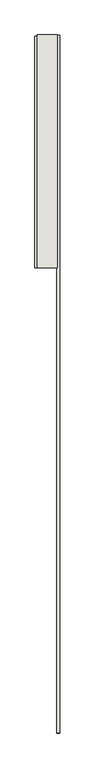
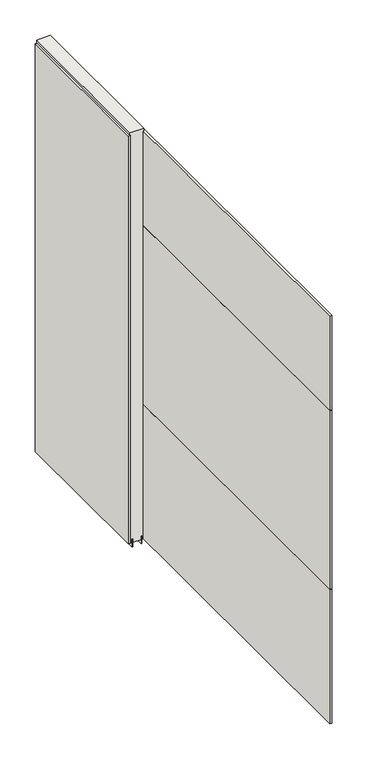
"""IFC4 building model written with IfcOpenShell, lengths in millimetres: wall geometry."""

from ifc_helpers import new_model, si_unit, frame, origin, place, context, project, spatial, polyline, outline, extrude, source, transform, mapped, element, save


def wall_c8e902ae(model_context):
    return source(origin(), model_context, "Body", "SweptSolid", [
        extrude(outline(polyline([(53242.882211, -44754.2307352), (53242.882211, -44756.7707352), (53240.342211, -44756.7707352), (53240.342211, -44754.2307352), (53242.882211, -44754.2307352)])), frame((0.0, 0.0, 4419.6), z_axis=(0.0, 0.0, 1.0), x_axis=(1.0, 0.0, 0.0)), (0.0, 0.0, 1.0), 2.54),
        extrude(outline(polyline([(53190.812211, -45708.4312906), (53190.812211, -44758.6978586), (53203.512211, -44758.6978586), (53203.512211, -45708.4312906), (53190.812211, -45708.4312906)])), frame((0.0, 0.0, 4445.0), z_axis=(0.0, 0.0, 1.0), x_axis=(1.0, 0.0, 0.0)), (0.0, 0.0, 1.0), 2545.0498756),
        extrude(outline(polyline([(53292.412211, -44756.2334363), (53292.412211, -47613.4338433), (53279.712211, -47613.4338433), (53279.712211, -44756.2334363), (53292.412211, -44756.2334363)])), frame((0.0, 0.0, 6402.8000722), z_axis=(0.0, 0.0, 1.0), x_axis=(1.0, 0.0, 0.0)), (0.0, 0.0, 1.0), 587.2498034),
        extrude(outline(polyline([(53292.412211, -44756.2334363), (53292.412211, -47613.4338433), (53279.712211, -47613.4338433), (53279.712211, -44756.2334363), (53292.412211, -44756.2334363)])), frame((0.0, 0.0, 5285.2000722), z_axis=(0.0, 0.0, 1.0), x_axis=(1.0, 0.0, 0.0)), (0.0, 0.0, 1.0), 1113.5999572),
        extrude(outline(polyline([(53292.412211, -44756.2334363), (53292.412211, -47613.4338433), (53279.712211, -47613.4338433), (53279.712211, -44756.2334363), (53292.412211, -44756.2334363)])), frame((0.0, 0.0, 4445.0), z_axis=(0.0, 0.0, 1.0), x_axis=(1.0, 0.0, 0.0)), (0.0, 0.0, 1.0), 836.200004),
        extrude(outline(polyline([(53216.5284664, -44754.2418858), (53216.5284664, -45707.9604254), (53211.449711, -45707.9604254), (53211.449711, -44754.2418858), (53216.5284664, -44754.2418858)])), frame((0.0, 0.0, 4418.6602), z_axis=(0.0, 0.0, 1.0), x_axis=(1.0, 0.0, 0.0)), (0.0, 0.0, 1.0), 47.625),
        extrude(outline(polyline([(53216.5284664, -44754.2418858), (53216.5284664, -45707.9604254), (53211.449711, -45707.9604254), (53211.449711, -44754.2418858), (53216.5284664, -44754.2418858)])), frame((0.0, 0.0, 4418.6602), z_axis=(0.0, 0.0, 1.0), x_axis=(1.0, 0.0, 0.0)), (0.0, 0.0, 1.0), 47.625),
        extrude(outline(polyline([(53266.6959556, -45707.9604254), (53266.6959556, -44754.2418858), (53271.774711, -44754.2418858), (53271.774711, -45707.9604254), (53266.6959556, -45707.9604254)])), frame((0.0, 0.0, 4418.6602), z_axis=(0.0, 0.0, 1.0), x_axis=(1.0, 0.0, 0.0)), (0.0, 0.0, 1.0), 47.625),
        extrude(outline(polyline([(53266.6959556, -45707.9604254), (53266.6959556, -44754.2418858), (53271.774711, -44754.2418858), (53271.774711, -45707.9604254), (53266.6959556, -45707.9604254)])), frame((0.0, 0.0, 4418.6602), z_axis=(0.0, 0.0, 1.0), x_axis=(1.0, 0.0, 0.0)), (0.0, 0.0, 1.0), 47.625),
        extrude(outline(polyline([(53200.9573266, -44754.2418858), (53282.2670954, -44754.2418858), (53282.2670954, -45707.9604254), (53200.9573266, -45707.9604254), (53200.9573266, -44754.2418858)])), frame((0.0, 0.0, 4445.0), z_axis=(0.0, 0.0, 1.0), x_axis=(1.0, 0.0, 0.0)), (0.0, 0.0, 1.0), 2562.4536762),
    ])


if __name__ == "__main__":
    model = new_model("IFC4")
    model_context = context("Model", 3, world=origin())
    ifc_project = project(units=[si_unit("LENGTHUNIT", "METRE", prefix="MILLI")], contexts=[model_context])
    site = spatial("IfcSite", under=ifc_project)
    building = spatial("IfcBuilding", under=site)
    placement = place(None, origin())
    wall_shape = wall_c8e902ae(model_context)
    element("IfcWall", 1, at=placement, inside=building, context=model_context, shape_type="MappedRepresentation", body=[
        mapped(wall_shape, transform((0.0, 0.0, 0.0), x_axis=(1.0, 0.0, 0.0), y_axis=(0.0, 1.0, 0.0), z_axis=(0.0, 0.0, 1.0))),
    ])
    save(model, "model.ifc")
